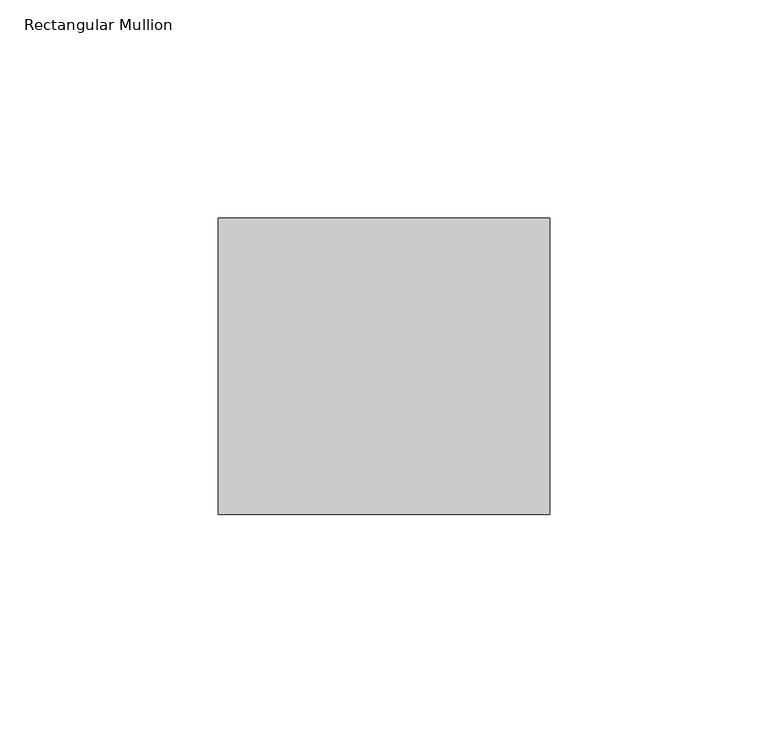
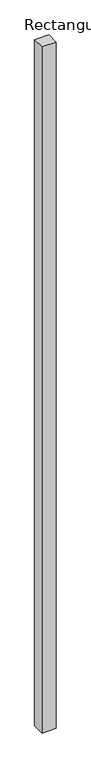
"""IFC4 building model written with IfcOpenShell, lengths in millimetres: member geometry, Rectangular Mullion."""

from ifc_helpers import new_model, si_unit, frame, origin, place, context, project, spatial, polyline, outline, extrude, source, transform, mapped, element, save


def rectangular_mullion_bfe19356(model_context):
    return source(origin(), model_context, "Body", "SweptSolid", [
        extrude(outline(polyline([(38.0, 68.0), (38.0, 0.0), (-38.0, 0.0), (-38.0, 68.0), (38.0, 68.0)])), frame((0.0, 0.0, -3873.0), z_axis=(0.0, 0.0, 1.0), x_axis=(1.0, 0.0, 0.0)), (0.0, 0.0, 1.0), 3873.0),
    ])


if __name__ == "__main__":
    model = new_model("IFC4")
    model_context = context("Model", 3, world=origin())
    ifc_project = project(units=[si_unit("LENGTHUNIT", "METRE", prefix="MILLI")], contexts=[model_context])
    site = spatial("IfcSite", under=ifc_project)
    building = spatial("IfcBuilding", under=site)
    placement = place(None, origin())
    rectangular_mullion_shape = rectangular_mullion_bfe19356(model_context)
    element("IfcMember", 1, ObjectType="Rectangular Mullion", at=placement, inside=building, context=model_context, shape_type="MappedRepresentation", body=[
        mapped(rectangular_mullion_shape, transform((0.0, 0.0, 0.0), x_axis=(1.0, 0.0, 0.0), y_axis=(0.0, 1.0, 0.0), z_axis=(0.0, 0.0, 1.0))),
    ])
    save(model, "model.ifc")
